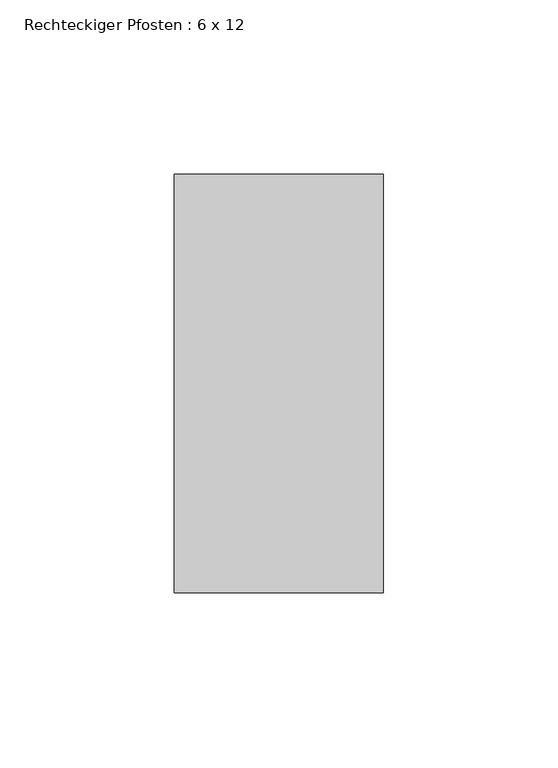
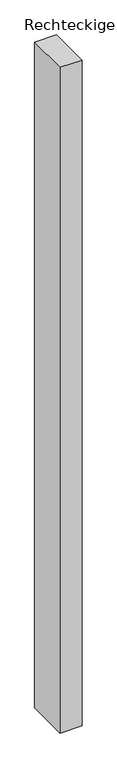
"""IFC4 building model written with IfcOpenShell, lengths in millimetres: member geometry, Rechteckiger Pfosten : 6 x 12."""

from ifc_helpers import new_model, si_unit, frame, origin, place, context, project, spatial, polyline, outline, extrude, source, transform, mapped, element, save


def rechteckiger_pfosten_6_x_12_3dced126(model_context):
    return source(origin(), model_context, "Body", "SweptSolid", [
        extrude(outline(polyline([(30.0, 60.0), (30.0, -60.0), (-30.0, -60.0), (-30.0, 60.0), (30.0, 60.0)])), frame((0.0, 0.0, -1920.8333333), z_axis=(0.0, 0.0, 1.0), x_axis=(1.0, 0.0, 0.0)), (0.0, 0.0, 1.0), 1920.8333333),
    ])


if __name__ == "__main__":
    model = new_model("IFC4")
    model_context = context("Model", 3, world=origin())
    ifc_project = project(units=[si_unit("LENGTHUNIT", "METRE", prefix="MILLI")], contexts=[model_context])
    site = spatial("IfcSite", under=ifc_project)
    building = spatial("IfcBuilding", under=site)
    placement = place(None, origin())
    rechteckiger_pfosten_6_x_12_shape = rechteckiger_pfosten_6_x_12_3dced126(model_context)
    element("IfcMember", 1, ObjectType="Rechteckiger Pfosten : 6 x 12", at=placement, inside=building, context=model_context, shape_type="MappedRepresentation", body=[
        mapped(rechteckiger_pfosten_6_x_12_shape, transform((0.0, 0.0, 0.0), x_axis=(1.0, 0.0, 0.0), y_axis=(0.0, 1.0, 0.0), z_axis=(0.0, 0.0, 1.0))),
    ])
    save(model, "model.ifc")
